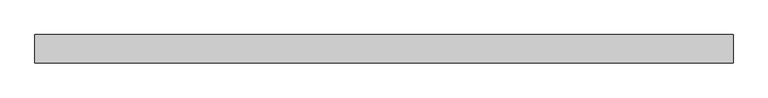
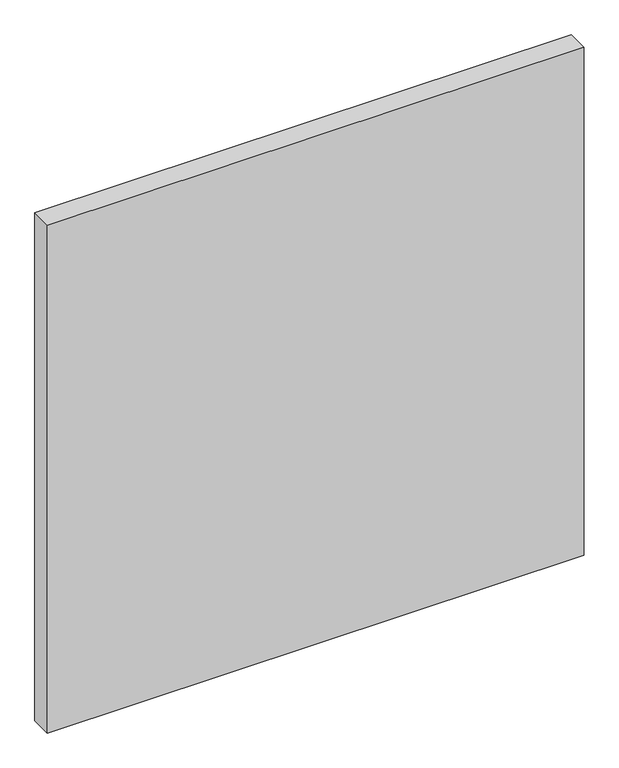
"""IFC4 building model written with IfcOpenShell, lengths in millimetres: plate geometry."""

from ifc_helpers import new_model, si_unit, origin, origin_with_axes, place, context, project, spatial, polyline, outline, extrude, source, transform, mapped, element, save


def plate_ab664394(model_context):
    return source(origin(), model_context, "Body", "SweptSolid", [
        extrude(outline(polyline([(704.453125, 28.575), (704.453125, -28.575), (-704.453125, -28.575), (-704.453125, 28.575), (704.453125, 28.575)])), origin_with_axes(), (0.0, 0.0, 1.0), 1408.90625),
    ])


if __name__ == "__main__":
    model = new_model("IFC4")
    model_context = context("Model", 3, world=origin())
    ifc_project = project(units=[si_unit("LENGTHUNIT", "METRE", prefix="MILLI")], contexts=[model_context])
    site = spatial("IfcSite", under=ifc_project)
    building = spatial("IfcBuilding", under=site)
    placement = place(None, origin())
    plate_shape = plate_ab664394(model_context)
    element("IfcPlate", 1, at=placement, inside=building, context=model_context, shape_type="MappedRepresentation", body=[
        mapped(plate_shape, transform((0.0, 0.0, 0.0), x_axis=(1.0, 0.0, 0.0), y_axis=(0.0, 1.0, 0.0), z_axis=(0.0, 0.0, 1.0))),
    ])
    save(model, "model.ifc")
